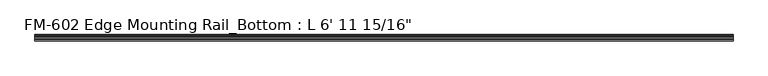
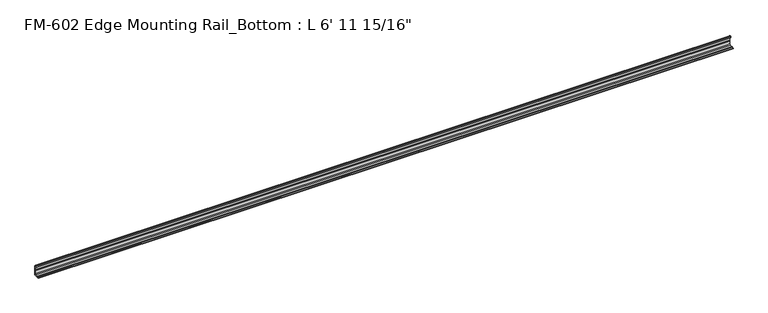
"""IFC4 building model written with IfcOpenShell, lengths in millimetres: proxy geometry."""

from ifc_helpers import new_model, si_unit, point, frame, frame_2d, origin, place, context, project, spatial, polyline, circle_curve, trimmed, segment, composite_curve, outline, extrude, source, transform, mapped, element, save


def proxy_08e8671b(model_context):
    return source(origin(), model_context, "Body", "SweptSolid", [
        extrude(outline(composite_curve([segment(polyline([(13.6400687, 32.1158903), (15.4750158, 32.6885982)]), True, "CONTINUOUS"), segment(trimmed(circle_curve(frame_2d((15.6853088, 32.2686835)), 0.4696291), [point((15.4750158, 32.6885982))], [point((16.1549378, 32.2686835))], False, "CARTESIAN"), True, "CONTINUOUS"), segment(polyline([(16.1549378, 32.2686835), (16.1549378, 30.7270734)]), True, "CONTINUOUS"), segment(trimmed(circle_curve(frame_2d((17.7424378, 30.7270734)), 1.5875), [point((16.1549378, 30.7270734))], [point((17.7424378, 29.1395734))], True, "CARTESIAN"), True, "CONTINUOUS"), segment(polyline([(17.7424378, 29.1395734), (19.05, 29.1395734), (19.05, 0.0), (0.0, 0.0), (0.0, 1.5875), (3.2106953, 1.5875)]), True, "CONTINUOUS"), segment(trimmed(circle_curve(frame_2d((4.7981953, 1.5875)), 1.5875), [point((3.2106953, 1.5875))], [point((6.3856306, 1.6018315))], False, "CARTESIAN"), True, "CONTINUOUS"), segment(polyline([(6.3856306, 1.6018315), (15.5573314, 1.6102595)]), True, "CONTINUOUS"), segment(trimmed(circle_curve(frame_2d((15.5575, 3.5152595)), 1.905), [point((15.5573314, 1.6102595))], [point((17.4625, 3.5152595))], True, "CARTESIAN"), True, "CONTINUOUS"), segment(polyline([(17.4625, 3.5152595), (17.4625, 12.4909614), (17.9716639, 13.408381), (17.9716639, 14.7485418), (17.4625, 15.6659614), (17.4625, 26.8535734)]), True, "CONTINUOUS"), segment(trimmed(circle_curve(frame_2d((16.9545, 26.8535734)), 0.508), [point((17.4625, 26.8535734))], [point((16.9376166, 27.3612928))], True, "CARTESIAN"), True, "CONTINUOUS"), segment(trimmed(circle_curve(frame_2d((16.9169378, 26.5995734)), 0.762), [point((16.9376166, 27.3612928))], [point((16.1779173, 26.4138515))], True, "CARTESIAN"), True, "CONTINUOUS"), segment(trimmed(circle_curve(frame_2d((15.6245238, 26.2747792)), 0.5706009), [point((16.1779173, 26.4138515))], [point((15.4364113, 25.7360779))], False, "CARTESIAN"), True, "CONTINUOUS"), segment(polyline([(15.4364113, 25.7360779), (13.6400687, 26.2967369)]), True, "CONTINUOUS"), segment(trimmed(circle_curve(frame_2d((14.5481808, 29.2063136)), 3.048), [point((13.6400687, 26.2967369))], [point((11.9462301, 30.7938136))], False, "CARTESIAN"), True, "CONTINUOUS"), segment(trimmed(circle_curve(frame_2d((14.5481808, 29.2063136)), 3.048), [point((11.9462301, 30.7938136))], [point((13.6400687, 32.1158903))], False, "CARTESIAN"), True, "CONTINUOUS")], self_intersect=False)), frame((-1827.2125, 0.0, 0.0), z_axis=(1.0, 0.0, 0.0), x_axis=(0.0, 1.0, 0.0)), (0.0, 0.0, 1.0), 2132.0125),
    ])


if __name__ == "__main__":
    model = new_model("IFC4")
    model_context = context("Model", 3, world=origin())
    ifc_project = project(units=[si_unit("LENGTHUNIT", "METRE", prefix="MILLI")], contexts=[model_context])
    site = spatial("IfcSite", under=ifc_project)
    building = spatial("IfcBuilding", under=site)
    placement = place(None, origin())
    proxy_shape = proxy_08e8671b(model_context)
    element("IfcBuildingElementProxy", 1, Name="FM-602 Edge Mounting Rail_Bottom : L 6' 11 15/16\"", ObjectType="FM-602 Edge Mounting Rail_Bottom : L 6' 11 15/16\"", at=placement, inside=building, context=model_context, shape_type="MappedRepresentation", body=[
        mapped(proxy_shape, transform((0.0, 0.0, 0.0), x_axis=(1.0, 0.0, 0.0), y_axis=(0.0, 1.0, 0.0), z_axis=(0.0, 0.0, 1.0))),
    ])
    save(model, "model.ifc")
